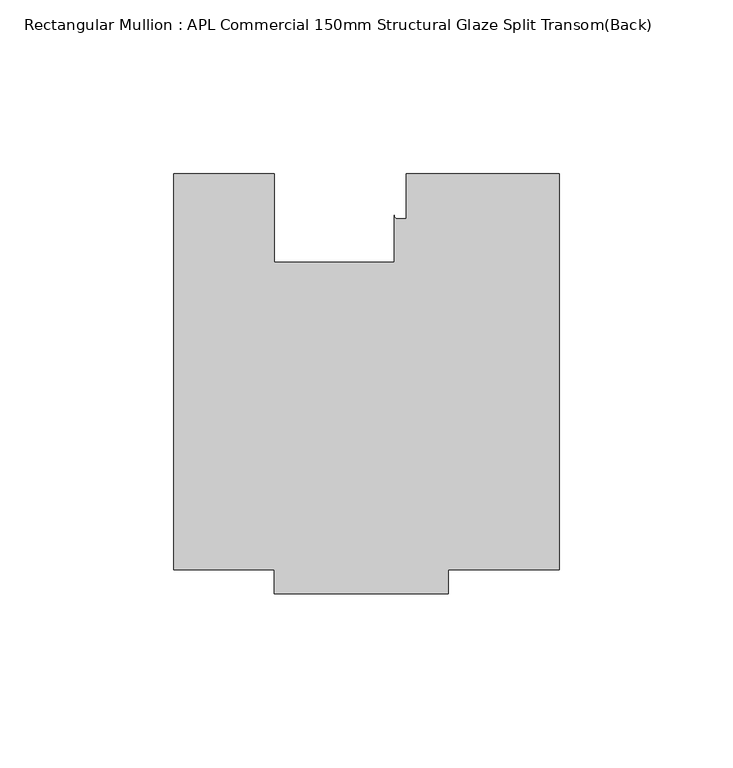
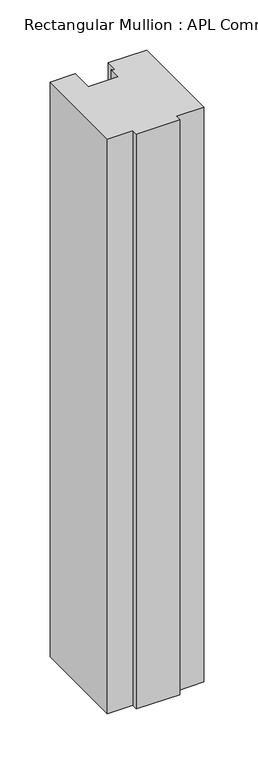
"""IFC4 building model written with IfcOpenShell, lengths in millimetres: member geometry, Rectangular Mullion : APL Commercial 150mm Structural Glaze Split Transom(Back)."""

from ifc_helpers import new_model, si_unit, point, frame, frame_2d, origin, place, context, project, spatial, polyline, circle_curve, trimmed, segment, composite_curve, outline, extrude, source, transform, mapped, element, save


def rectangular_mullion_apl_commercial_150mm_structural_glaze_d8361abf(model_context):
    return source(origin(), model_context, "Body", "SweptSolid", [
        extrude(outline(composite_curve([segment(polyline([(54.0000029, -15.0004617), (54.0000029, -129.0003326), (22.0028846, -129.0003326), (22.0028846, -136.0003326), (-27.9971154, -136.0003326), (-27.9971154, -129.0002765), (-57.0000004, -129.0002765), (-57.0000004, -15.0001793), (-28.0000482, -15.0001793), (-28.0000482, -40.499932), (6.5000029, -40.499932), (6.5000029, -27.0002131)]), True, "CONTINUOUS"), segment(trimmed(circle_curve(frame_2d((7.5000029, -27.0002131)), 1.0), [point((6.5000029, -27.0002131))], [point((7.5000029, -28.0002131))], True, "CARTESIAN"), True, "CONTINUOUS"), segment(polyline([(7.5000029, -28.0002131), (10.0000029, -28.0002131), (10.0000029, -15.0004617), (54.0000029, -15.0004617)]), True, "CONTINUOUS")], self_intersect=False)), frame((0.0, 0.0, -699.3627597), z_axis=(0.0, 0.0, 1.0), x_axis=(1.0, 0.0, 0.0)), (0.0, 0.0, 1.0), 699.3627597),
    ])


if __name__ == "__main__":
    model = new_model("IFC4")
    model_context = context("Model", 3, world=origin())
    ifc_project = project(units=[si_unit("LENGTHUNIT", "METRE", prefix="MILLI")], contexts=[model_context])
    site = spatial("IfcSite", under=ifc_project)
    building = spatial("IfcBuilding", under=site)
    placement = place(None, origin())
    rectangular_mullion_apl_commercial_150mm_structural_glaze_shape = rectangular_mullion_apl_commercial_150mm_structural_glaze_d8361abf(model_context)
    element("IfcMember", 1, ObjectType="Rectangular Mullion : APL Commercial 150mm Structural Glaze Split Transom(Back)", at=placement, inside=building, context=model_context, shape_type="MappedRepresentation", body=[
        mapped(rectangular_mullion_apl_commercial_150mm_structural_glaze_shape, transform((0.0, 0.0, 0.0), x_axis=(1.0, 0.0, 0.0), y_axis=(0.0, 1.0, 0.0), z_axis=(0.0, 0.0, 1.0))),
    ])
    save(model, "model.ifc")
